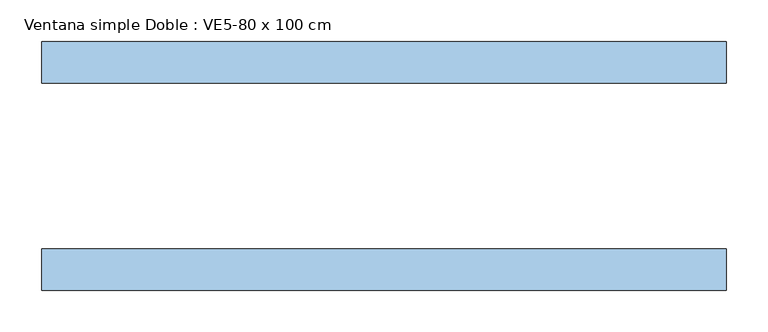
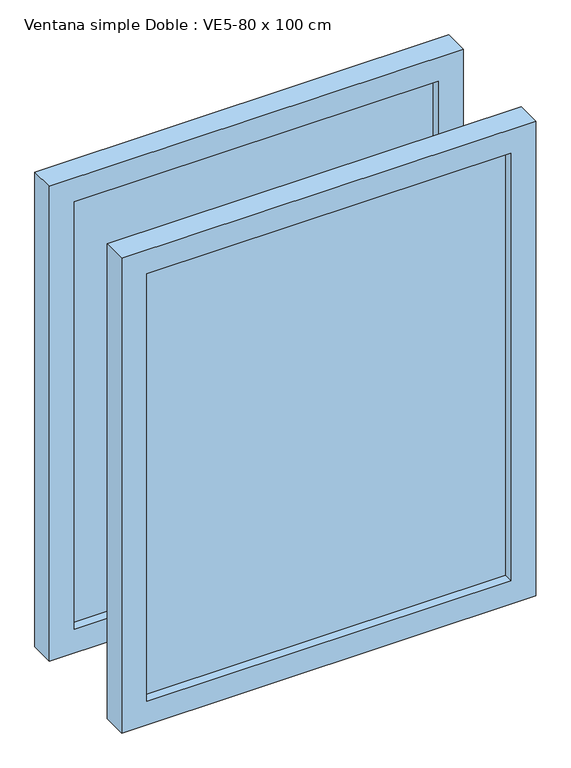
"""IFC4 building model written with IfcOpenShell, lengths in millimetres: window geometry, Ventana simple Doble : VE5-80 x 100 cm."""

from ifc_helpers import new_model, si_unit, frame, origin, place, context, project, spatial, polyline, outline, extrude, source, transform, mapped, element, save


def ventana_simple_doble_ve5_80_x_100_cm_61f48d95(model_context):
    return source(origin(), model_context, "Body", "SweptSolid", [
        extrude(outline(polyline([(362.5, -131.5), (-362.5, -131.5), (-362.5, -118.5), (362.5, -118.5), (362.5, -131.5)])), frame((0.0, 0.0, 850.0), z_axis=(0.0, 0.0, 1.0), x_axis=(1.0, 0.0, 0.0)), (0.0, 0.0, 1.0), 900.0),
        extrude(outline(polyline([(800.0, 412.5), (1800.0, 412.5), (1800.0, -412.5), (800.0, -412.5), (800.0, 412.5)]), holes=[polyline([(1750.0, 362.5), (850.0, 362.5), (850.0, -362.5), (1750.0, -362.5), (1750.0, 362.5)])]), frame((0.0, -150.0, 0.0), z_axis=(0.0, 1.0, 0.0), x_axis=(0.0, 0.0, 1.0)), (0.0, 0.0, 1.0), 50.0),
        extrude(outline(polyline([(362.5, 131.5), (362.5, 118.5), (-362.5, 118.5), (-362.5, 131.5), (362.5, 131.5)])), frame((0.0, 0.0, 850.0), z_axis=(0.0, 0.0, 1.0), x_axis=(1.0, 0.0, 0.0)), (0.0, 0.0, 1.0), 900.0),
        extrude(outline(polyline([(1800.0, 412.5), (1800.0, -412.5), (800.0, -412.5), (800.0, 412.5), (1800.0, 412.5)]), holes=[polyline([(850.0, 362.5), (850.0, -362.5), (1750.0, -362.5), (1750.0, 362.5), (850.0, 362.5)])]), frame((0.0, 100.0, 0.0), z_axis=(0.0, 1.0, 0.0), x_axis=(0.0, 0.0, 1.0)), (0.0, 0.0, 1.0), 50.0),
    ])


if __name__ == "__main__":
    model = new_model("IFC4")
    model_context = context("Model", 3, world=origin())
    ifc_project = project(units=[si_unit("LENGTHUNIT", "METRE", prefix="MILLI")], contexts=[model_context])
    site = spatial("IfcSite", under=ifc_project)
    building = spatial("IfcBuilding", under=site)
    placement = place(None, origin())
    ventana_simple_doble_ve5_80_x_100_cm_shape = ventana_simple_doble_ve5_80_x_100_cm_61f48d95(model_context)
    element("IfcWindow", 1, ObjectType="Ventana simple Doble : VE5-80 x 100 cm", at=placement, inside=building, context=model_context, shape_type="MappedRepresentation", body=[
        mapped(ventana_simple_doble_ve5_80_x_100_cm_shape, transform((0.0, 0.0, 0.0), x_axis=(1.0, 0.0, 0.0), y_axis=(0.0, 1.0, 0.0), z_axis=(0.0, 0.0, 1.0))),
    ])
    save(model, "model.ifc")
